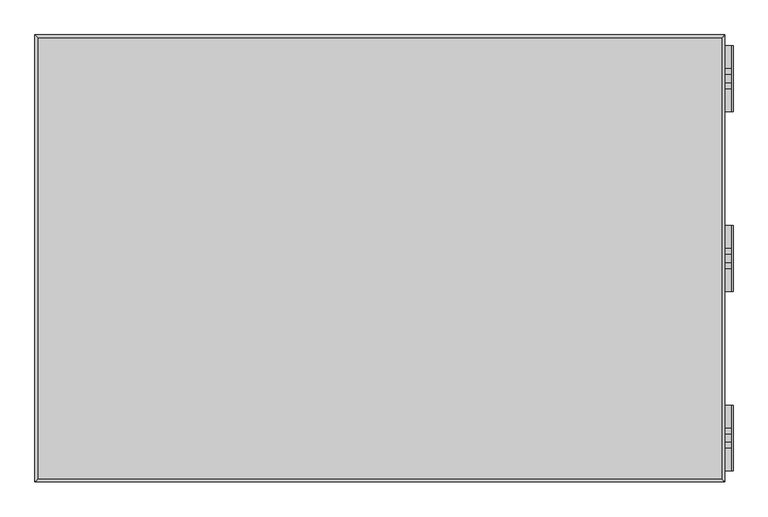
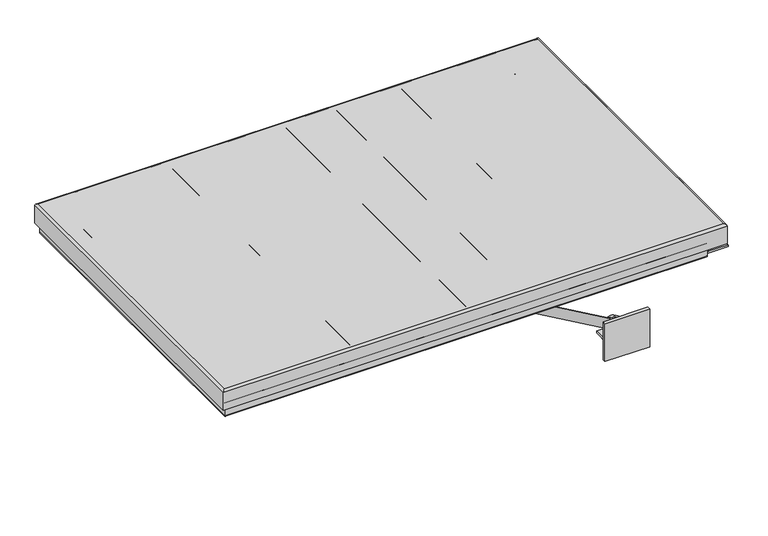
"""IFC4 building model written with IfcOpenShell, lengths in millimetres: proxy geometry."""

from ifc_helpers import new_model, si_unit, point, frame, frame_2d, origin, origin_2d, place, context, project, spatial, polyline, circle_curve, ellipse_curve, trimmed, segment, composite_curve, outline, extrude, source, transform, mapped, element, save
from ifc_brep_helpers import plane_surface, cylinder_surface, revolved_surface, advanced_brep


def generic_models_c320e721(model_context):
    return source(origin(), model_context, "Body", "SolidModel", [
        extrude(outline(composite_curve([segment(trimmed(circle_curve(frame_2d((98.0, 762.0)), 8.0), [point((90.0, 762.0))], [point((98.0, 770.0))], False, "CARTESIAN"), True, "CONTINUOUS"), segment(polyline([(98.0, 770.0), (182.0, 770.0)]), True, "CONTINUOUS"), segment(trimmed(circle_curve(frame_2d((182.0, 762.0)), 8.0), [point((182.0, 770.0))], [point((190.0, 762.0))], False, "CARTESIAN"), True, "CONTINUOUS"), segment(polyline([(190.0, 762.0), (190.0, 728.0)]), True, "CONTINUOUS"), segment(trimmed(circle_curve(frame_2d((182.0, 728.0)), 8.0), [point((190.0, 728.0))], [point((182.0, 720.0))], False, "CARTESIAN"), True, "CONTINUOUS"), segment(polyline([(182.0, 720.0), (98.0, 720.0)]), True, "CONTINUOUS"), segment(trimmed(circle_curve(frame_2d((98.0, 728.0)), 8.0), [point((98.0, 720.0))], [point((90.0, 728.0))], False, "CARTESIAN"), True, "CONTINUOUS"), segment(polyline([(90.0, 728.0), (90.0, 762.0)]), True, "CONTINUOUS")], self_intersect=False)), frame((0.0, -975.0, 0.0), z_axis=(0.0, 1.0, 0.0), x_axis=(0.0, 0.0, 1.0)), (0.0, 0.0, 1.0), 1950.0),
        extrude(outline(composite_curve([segment(trimmed(circle_curve(frame_2d((98.0, 37.0)), 8.0), [point((90.0, 37.0))], [point((98.0, 45.0))], False, "CARTESIAN"), True, "CONTINUOUS"), segment(polyline([(98.0, 45.0), (182.0, 45.0)]), True, "CONTINUOUS"), segment(trimmed(circle_curve(frame_2d((182.0, 37.0)), 8.0), [point((182.0, 45.0))], [point((190.0, 37.0))], False, "CARTESIAN"), True, "CONTINUOUS"), segment(polyline([(190.0, 37.0), (190.0, 3.0)]), True, "CONTINUOUS"), segment(trimmed(circle_curve(frame_2d((182.0, 3.0)), 8.0), [point((190.0, 3.0))], [point((182.0, -5.0))], False, "CARTESIAN"), True, "CONTINUOUS"), segment(polyline([(182.0, -5.0), (98.0, -5.0)]), True, "CONTINUOUS"), segment(trimmed(circle_curve(frame_2d((98.0, 3.0)), 8.0), [point((98.0, -5.0))], [point((90.0, 3.0))], False, "CARTESIAN"), True, "CONTINUOUS"), segment(polyline([(90.0, 3.0), (90.0, 37.0)]), True, "CONTINUOUS")], self_intersect=False)), frame((0.0, -975.0, 0.0), z_axis=(0.0, 1.0, 0.0), x_axis=(0.0, 0.0, 1.0)), (0.0, 0.0, 1.0), 1950.0),
        extrude(outline(composite_curve([segment(trimmed(circle_curve(frame_2d((98.0, -688.0)), 8.0), [point((90.0, -688.0))], [point((98.0, -680.0))], False, "CARTESIAN"), True, "CONTINUOUS"), segment(polyline([(98.0, -680.0), (182.0, -680.0)]), True, "CONTINUOUS"), segment(trimmed(circle_curve(frame_2d((182.0, -688.0)), 8.0), [point((182.0, -680.0))], [point((190.0, -688.0))], False, "CARTESIAN"), True, "CONTINUOUS"), segment(polyline([(190.0, -688.0), (190.0, -722.0)]), True, "CONTINUOUS"), segment(trimmed(circle_curve(frame_2d((182.0, -722.0)), 8.0), [point((190.0, -722.0))], [point((182.0, -730.0))], False, "CARTESIAN"), True, "CONTINUOUS"), segment(polyline([(182.0, -730.0), (98.0, -730.0)]), True, "CONTINUOUS"), segment(trimmed(circle_curve(frame_2d((98.0, -722.0)), 8.0), [point((98.0, -730.0))], [point((90.0, -722.0))], False, "CARTESIAN"), True, "CONTINUOUS"), segment(polyline([(90.0, -722.0), (90.0, -688.0)]), True, "CONTINUOUS")], self_intersect=False)), frame((0.0, -975.0, 0.0), z_axis=(0.0, 1.0, 0.0), x_axis=(0.0, 0.0, 1.0)), (0.0, 0.0, 1.0), 1950.0),
        extrude(outline(composite_curve([segment(trimmed(circle_curve(origin_2d(), 30.0), [point((0.0, -30.0))], [point((0.0, 30.0))], False, "CARTESIAN"), True, "CONTINUOUS"), segment(trimmed(circle_curve(origin_2d(), 30.0), [point((0.0, 30.0))], [point((0.0, -30.0))], False, "CARTESIAN"), True, "CONTINUOUS")], self_intersect=False)), frame((1002.7800547, 835.0, -344.5871707), z_axis=(-0.8670000719043638, 0.0, 0.49830801249611495), x_axis=(0.0, 1.0, 0.0)), (0.0, 0.0, 1.0), 710.0),
        extrude(outline(composite_curve([segment(trimmed(circle_curve(frame_2d((-370.0008793, 1046.9970584)), 32.5), [point((-398.1783817, 1030.802048))], [point((-341.823377, 1063.1920688))], False, "CARTESIAN"), True, "CONTINUOUS"), segment(polyline([(-341.823377, 1063.1920688), (-316.4096684, 1018.9750651), (-372.764673, 986.5850443), (-398.1783817, 1030.802048)]), True, "CONTINUOUS")], self_intersect=False)), frame((0.0, 822.5, 0.0), z_axis=(0.0, 1.0, 0.0), x_axis=(0.0, 0.0, 1.0)), (0.0, 0.0, 1.0), 25.0),
        extrude(outline(composite_curve([segment(polyline([(-12.4125932, 374.7815526), (30.8356295, 399.6384547), (65.8022099, 352.5278737)]), True, "CONTINUOUS"), segment(trimmed(circle_curve(frame_2d((40.1066149, 333.4559992)), 32.0), [point((65.8022099, 352.5278737))], [point((10.6926498, 320.8536718))], False, "CARTESIAN"), True, "CONTINUOUS"), segment(polyline([(10.6926498, 320.8536718), (-12.4125932, 374.7815526)]), True, "CONTINUOUS")], self_intersect=False)), frame((0.0, 822.5, 0.0), z_axis=(0.0, 1.0, 0.0), x_axis=(0.0, 0.0, 1.0)), (0.0, 0.0, 1.0), 25.0),
        extrude(outline(composite_curve([segment(polyline([(64.644661, 267.9289322), (18.7867966, 313.7867966)]), True, "CONTINUOUS"), segment(trimmed(circle_curve(frame_2d((40.0000001, 335.0)), 30.0), [point((18.7867966, 313.7867966))], [point((40.0000001, 365.0))], False, "CARTESIAN"), True, "CONTINUOUS"), segment(polyline([(40.0000001, 365.0), (90.0000001, 365.0), (90.0000001, 265.0), (71.7157288, 265.0)]), True, "CONTINUOUS"), segment(trimmed(circle_curve(frame_2d((71.7157288, 275.0)), 10.0), [point((71.7157288, 265.0))], [point((64.644661, 267.9289322))], False, "CARTESIAN"), True, "CONTINUOUS")], self_intersect=False)), frame((0.0, 800.0, 0.0), z_axis=(0.0, 1.0, 0.0), x_axis=(0.0, 0.0, 1.0)), (0.0, 0.0, 1.0), 20.0),
        extrude(outline(composite_curve([segment(polyline([(64.644661, 267.9289322), (18.7867966, 313.7867966)]), True, "CONTINUOUS"), segment(trimmed(circle_curve(frame_2d((40.0000001, 335.0)), 30.0), [point((18.7867966, 313.7867966))], [point((40.0000001, 365.0))], False, "CARTESIAN"), True, "CONTINUOUS"), segment(polyline([(40.0000001, 365.0), (90.0000001, 365.0), (90.0000001, 265.0), (71.7157288, 265.0)]), True, "CONTINUOUS"), segment(trimmed(circle_curve(frame_2d((71.7157288, 275.0)), 10.0), [point((71.7157288, 265.0))], [point((64.644661, 267.9289322))], False, "CARTESIAN"), True, "CONTINUOUS")], self_intersect=False)), frame((0.0, 850.0, 0.0), z_axis=(0.0, 1.0, 0.0), x_axis=(0.0, 0.0, 1.0)), (0.0, 0.0, 1.0), 20.0),
        extrude(outline(composite_curve([segment(trimmed(circle_curve(origin_2d(), 30.0), [point((0.0, -30.0))], [point((0.0, 30.0))], False, "CARTESIAN"), True, "CONTINUOUS"), segment(trimmed(circle_curve(origin_2d(), 30.0), [point((0.0, 30.0))], [point((0.0, -30.0))], False, "CARTESIAN"), True, "CONTINUOUS")], self_intersect=False)), frame((1002.7800547, -835.0, -344.5871707), z_axis=(-0.8670000719043638, 0.0, 0.49830801249611495), x_axis=(0.0, 1.0, 0.0)), (0.0, 0.0, 1.0), 710.0),
        extrude(outline(composite_curve([segment(trimmed(circle_curve(frame_2d((-370.0008793, 1046.9970584)), 32.5), [point((-398.1783817, 1030.802048))], [point((-341.823377, 1063.1920688))], False, "CARTESIAN"), True, "CONTINUOUS"), segment(polyline([(-341.823377, 1063.1920688), (-316.4096684, 1018.9750651), (-372.764673, 986.5850443), (-398.1783817, 1030.802048)]), True, "CONTINUOUS")], self_intersect=False)), frame((0.0, -847.5, 0.0), z_axis=(0.0, 1.0, 0.0), x_axis=(0.0, 0.0, 1.0)), (0.0, 0.0, 1.0), 25.0),
        extrude(outline(composite_curve([segment(polyline([(-12.4125932, 374.7815526), (30.8356295, 399.6384547), (65.8022099, 352.5278737)]), True, "CONTINUOUS"), segment(trimmed(circle_curve(frame_2d((40.1066149, 333.4559992)), 32.0), [point((65.8022099, 352.5278737))], [point((10.6926498, 320.8536718))], False, "CARTESIAN"), True, "CONTINUOUS"), segment(polyline([(10.6926498, 320.8536718), (-12.4125932, 374.7815526)]), True, "CONTINUOUS")], self_intersect=False)), frame((0.0, -847.5, 0.0), z_axis=(0.0, 1.0, 0.0), x_axis=(0.0, 0.0, 1.0)), (0.0, 0.0, 1.0), 25.0),
        extrude(outline(composite_curve([segment(polyline([(64.644661, 267.9289322), (18.7867966, 313.7867966)]), True, "CONTINUOUS"), segment(trimmed(circle_curve(frame_2d((40.0000001, 335.0)), 30.0), [point((18.7867966, 313.7867966))], [point((40.0000001, 365.0))], False, "CARTESIAN"), True, "CONTINUOUS"), segment(polyline([(40.0000001, 365.0), (90.0000001, 365.0), (90.0000001, 265.0), (71.7157288, 265.0)]), True, "CONTINUOUS"), segment(trimmed(circle_curve(frame_2d((71.7157288, 275.0)), 10.0), [point((71.7157288, 265.0))], [point((64.644661, 267.9289322))], False, "CARTESIAN"), True, "CONTINUOUS")], self_intersect=False)), frame((0.0, -870.0, 0.0), z_axis=(0.0, 1.0, 0.0), x_axis=(0.0, 0.0, 1.0)), (0.0, 0.0, 1.0), 20.0),
        extrude(outline(composite_curve([segment(polyline([(64.644661, 267.9289322), (18.7867966, 313.7867966)]), True, "CONTINUOUS"), segment(trimmed(circle_curve(frame_2d((40.0000001, 335.0)), 30.0), [point((18.7867966, 313.7867966))], [point((40.0000001, 365.0))], False, "CARTESIAN"), True, "CONTINUOUS"), segment(polyline([(40.0000001, 365.0), (90.0000001, 365.0), (90.0000001, 265.0), (71.7157288, 265.0)]), True, "CONTINUOUS"), segment(trimmed(circle_curve(frame_2d((71.7157288, 275.0)), 10.0), [point((71.7157288, 265.0))], [point((64.644661, 267.9289322))], False, "CARTESIAN"), True, "CONTINUOUS")], self_intersect=False)), frame((0.0, -820.0, 0.0), z_axis=(0.0, 1.0, 0.0), x_axis=(0.0, 0.0, 1.0)), (0.0, 0.0, 1.0), 20.0),
        extrude(outline(composite_curve([segment(trimmed(circle_curve(frame_2d((98.0, 357.0)), 8.0), [point((90.0, 357.0))], [point((98.0, 365.0))], False, "CARTESIAN"), True, "CONTINUOUS"), segment(polyline([(98.0, 365.0), (182.0, 365.0)]), True, "CONTINUOUS"), segment(trimmed(circle_curve(frame_2d((182.0, 357.0)), 8.0), [point((182.0, 365.0))], [point((190.0, 357.0))], False, "CARTESIAN"), True, "CONTINUOUS"), segment(polyline([(190.0, 357.0), (190.0, 273.0)]), True, "CONTINUOUS"), segment(trimmed(circle_curve(frame_2d((182.0, 273.0)), 8.0), [point((190.0, 273.0))], [point((182.0, 265.0))], False, "CARTESIAN"), True, "CONTINUOUS"), segment(polyline([(182.0, 265.0), (98.0, 265.0)]), True, "CONTINUOUS"), segment(trimmed(circle_curve(frame_2d((98.0, 273.0)), 8.0), [point((98.0, 265.0))], [point((90.0, 273.0))], False, "CARTESIAN"), True, "CONTINUOUS"), segment(polyline([(90.0, 273.0), (90.0, 357.0)]), True, "CONTINUOUS")], self_intersect=False)), frame((0.0, -975.0, 0.0), z_axis=(0.0, 1.0, 0.0), x_axis=(0.0, 0.0, 1.0)), (0.0, 0.0, 1.0), 1950.0),
        extrude(outline(composite_curve([segment(polyline([(-386.4580643, 1155.5002775), (-335.3598633, 1066.9955971)]), True, "CONTINUOUS"), segment(trimmed(circle_curve(frame_2d((-370.0008794, 1046.9955971)), 40.0), [point((-335.3598633, 1066.9955971))], [point((-370.0008794, 1006.9955971))], False, "CARTESIAN"), True, "CONTINUOUS"), segment(polyline([(-370.0008794, 1006.9955971), (-410.0008794, 1006.9955971), (-410.0008794, 1163.0002775), (-399.4484453, 1163.0002775)]), True, "CONTINUOUS"), segment(trimmed(circle_curve(frame_2d((-399.4484453, 1148.0002775)), 15.0), [point((-399.4484453, 1163.0002775))], [point((-386.4580643, 1155.5002775))], False, "CARTESIAN"), True, "CONTINUOUS")], self_intersect=False)), frame((0.0, -895.0, 0.0), z_axis=(0.0, 1.0, 0.0), x_axis=(0.0, 0.0, 1.0)), (0.0, 0.0, 1.0), 45.0),
        extrude(outline(composite_curve([segment(polyline([(-386.4580643, 1155.5002775), (-335.3598633, 1066.9955971)]), True, "CONTINUOUS"), segment(trimmed(circle_curve(frame_2d((-370.0008794, 1046.9955971)), 40.0), [point((-335.3598633, 1066.9955971))], [point((-370.0008794, 1006.9955971))], False, "CARTESIAN"), True, "CONTINUOUS"), segment(polyline([(-370.0008794, 1006.9955971), (-410.0008794, 1006.9955971), (-410.0008794, 1163.0002775), (-399.4484453, 1163.0002775)]), True, "CONTINUOUS"), segment(trimmed(circle_curve(frame_2d((-399.4484453, 1148.0002775)), 15.0), [point((-399.4484453, 1163.0002775))], [point((-386.4580643, 1155.5002775))], False, "CARTESIAN"), True, "CONTINUOUS")], self_intersect=False)), frame((0.0, -820.0, 0.0), z_axis=(0.0, 1.0, 0.0), x_axis=(0.0, 0.0, 1.0)), (0.0, 0.0, 1.0), 20.0),
        extrude(outline(polyline([(-800.0, -435.0008794), (-885.0, -509.9288138), (-895.0, -509.9288138), (-895.0, -438.7602132), (-879.3910901, -425.0008794), (-800.0, -425.0008794), (-800.0, -435.0008794)])), frame((1022.4979373, 0.0, 0.0), z_axis=(1.0, 0.0, 0.0), x_axis=(0.0, 1.0, 0.0)), (0.0, 0.0, 1.0), 15.0),
        extrude(outline(polyline([(-800.0, -435.0008794), (-885.0, -509.9288138), (-895.0, -509.9288138), (-895.0, -438.7602132), (-879.3910901, -425.0008794), (-800.0, -425.0008794), (-800.0, -435.0008794)])), frame((1132.4979373, 0.0, 0.0), z_axis=(1.0, 0.0, 0.0), x_axis=(0.0, 1.0, 0.0)), (0.0, 0.0, 1.0), 15.0),
        extrude(outline(polyline([(964.9979373, -790.0), (1204.9979373, -790.0), (1204.9979373, -895.0), (964.9979373, -895.0), (964.9979373, -790.0)])), frame((0.0, 0.0, -425.0008794), z_axis=(0.0, 0.0, 1.0), x_axis=(1.0, 0.0, 0.0)), (0.0, 0.0, 1.0), 15.0),
        extrude(outline(polyline([(944.9979373, -895.0), (1224.9979373, -895.0), (1224.9979373, -915.0), (944.9979373, -915.0), (944.9979373, -895.0)])), frame((0.0, 0.0, -529.9288138), z_axis=(0.0, 0.0, 1.0), x_axis=(1.0, 0.0, 0.0)), (0.0, 0.0, 1.0), 250.0),
        extrude(outline(composite_curve([segment(polyline([(-386.4580643, 1155.5002775), (-335.3598633, 1066.9955971)]), True, "CONTINUOUS"), segment(trimmed(circle_curve(frame_2d((-370.0008794, 1046.9955971)), 40.0), [point((-335.3598633, 1066.9955971))], [point((-370.0008794, 1006.9955971))], False, "CARTESIAN"), True, "CONTINUOUS"), segment(polyline([(-370.0008794, 1006.9955971), (-410.0008794, 1006.9955971), (-410.0008794, 1163.0002775), (-399.4484453, 1163.0002775)]), True, "CONTINUOUS"), segment(trimmed(circle_curve(frame_2d((-399.4484453, 1148.0002775)), 15.0), [point((-399.4484453, 1163.0002775))], [point((-386.4580643, 1155.5002775))], False, "CARTESIAN"), True, "CONTINUOUS")], self_intersect=False)), frame((0.0, 850.0, 0.0), z_axis=(0.0, 1.0, 0.0), x_axis=(0.0, 0.0, 1.0)), (0.0, 0.0, 1.0), 45.0),
        extrude(outline(composite_curve([segment(polyline([(-386.4580643, 1155.5002775), (-335.3598633, 1066.9955971)]), True, "CONTINUOUS"), segment(trimmed(circle_curve(frame_2d((-370.0008794, 1046.9955971)), 40.0), [point((-335.3598633, 1066.9955971))], [point((-370.0008794, 1006.9955971))], False, "CARTESIAN"), True, "CONTINUOUS"), segment(polyline([(-370.0008794, 1006.9955971), (-410.0008794, 1006.9955971), (-410.0008794, 1163.0002775), (-399.4484453, 1163.0002775)]), True, "CONTINUOUS"), segment(trimmed(circle_curve(frame_2d((-399.4484453, 1148.0002775)), 15.0), [point((-399.4484453, 1163.0002775))], [point((-386.4580643, 1155.5002775))], False, "CARTESIAN"), True, "CONTINUOUS")], self_intersect=False)), frame((0.0, 800.0, 0.0), z_axis=(0.0, 1.0, 0.0), x_axis=(0.0, 0.0, 1.0)), (0.0, 0.0, 1.0), 20.0),
        extrude(outline(polyline([(800.0, -435.0008794), (800.0, -425.0008794), (879.3910901, -425.0008794), (895.0, -438.7602132), (895.0, -509.9288138), (885.0, -509.9288138), (800.0, -435.0008794)])), frame((1022.4979373, 0.0, 0.0), z_axis=(1.0, 0.0, 0.0), x_axis=(0.0, 1.0, 0.0)), (0.0, 0.0, 1.0), 15.0),
        extrude(outline(polyline([(800.0, -435.0008794), (800.0, -425.0008794), (879.3910901, -425.0008794), (895.0, -438.7602132), (895.0, -509.9288138), (885.0, -509.9288138), (800.0, -435.0008794)])), frame((1132.4979373, 0.0, 0.0), z_axis=(1.0, 0.0, 0.0), x_axis=(0.0, 1.0, 0.0)), (0.0, 0.0, 1.0), 15.0),
        extrude(outline(polyline([(964.9979373, 790.0), (964.9979373, 895.0), (1204.9979373, 895.0), (1204.9979373, 790.0), (964.9979373, 790.0)])), frame((0.0, 0.0, -425.0008794), z_axis=(0.0, 0.0, 1.0), x_axis=(1.0, 0.0, 0.0)), (0.0, 0.0, 1.0), 15.0),
        extrude(outline(polyline([(944.9979373, 895.0), (944.9979373, 915.0), (1224.9979373, 915.0), (1224.9979373, 895.0), (944.9979373, 895.0)])), frame((0.0, 0.0, -529.9288138), z_axis=(0.0, 0.0, 1.0), x_axis=(1.0, 0.0, 0.0)), (0.0, 0.0, 1.0), 250.0),
        extrude(outline(composite_curve([segment(polyline([(32.0, 1547.0), (17.0, 1562.0), (17.0, 1677.0), (32.0, 1677.0), (109.0838293, 1635.1540532)]), True, "CONTINUOUS"), segment(trimmed(circle_curve(frame_2d((90.0, 1600.0)), 40.0), [point((109.0838293, 1635.1540532))], [point((112.9430575, 1567.2339182))], False, "CARTESIAN"), True, "CONTINUOUS"), segment(polyline([(112.9430575, 1567.2339182), (84.0460275, 1547.0), (32.0, 1547.0)]), True, "CONTINUOUS")], self_intersect=False)), frame((0.0, -865.0, 0.0), z_axis=(0.0, 1.0, 0.0), x_axis=(0.0, 0.0, 1.0)), (0.0, 0.0, 1.0), 25.0),
        extrude(outline(composite_curve([segment(polyline([(112.9430575, 1567.2339182), (84.0460275, 1547.0), (32.0, 1547.0), (17.0, 1562.0), (17.0, 1677.0), (32.0, 1677.0), (109.0838293, 1635.1540532)]), True, "CONTINUOUS"), segment(trimmed(circle_curve(frame_2d((90.0, 1600.0)), 40.0), [point((109.0838293, 1635.1540532))], [point((112.9430575, 1567.2339182))], False, "CARTESIAN"), True, "CONTINUOUS")], self_intersect=False)), frame((0.0, -800.0, 0.0), z_axis=(0.0, 1.0, 0.0), x_axis=(0.0, 0.0, 1.0)), (0.0, 0.0, 1.0), 25.0),
        extrude(outline(composite_curve([segment(polyline([(5.0, 1535.0), (5.0, 1685.0), (11.0, 1685.0)]), True, "CONTINUOUS"), segment(trimmed(circle_curve(frame_2d((11.0, 1679.0)), 6.0), [point((11.0, 1685.0))], [point((17.0, 1679.0))], False, "CARTESIAN"), True, "CONTINUOUS"), segment(polyline([(17.0, 1679.0), (17.0, 1562.0)]), True, "CONTINUOUS"), segment(trimmed(circle_curve(frame_2d((32.0, 1562.0)), 15.0), [point((17.0, 1562.0))], [point((32.0, 1547.0))], True, "CARTESIAN"), True, "CONTINUOUS"), segment(polyline([(32.0, 1547.0), (85.0, 1547.0), (85.0, 1535.0), (5.0, 1535.0)]), True, "CONTINUOUS")], self_intersect=False)), frame((0.0, -970.0, 0.0), z_axis=(0.0, 1.0, 0.0), x_axis=(0.0, 0.0, 1.0)), (0.0, 0.0, 1.0), 300.0),
        extrude(outline(composite_curve([segment(polyline([(32.0, 1547.0), (17.0, 1562.0), (17.0, 1677.0), (32.0, 1677.0), (109.0838293, 1635.1540532)]), True, "CONTINUOUS"), segment(trimmed(circle_curve(frame_2d((90.0, 1600.0)), 40.0), [point((109.0838293, 1635.1540532))], [point((112.9430575, 1567.2339182))], False, "CARTESIAN"), True, "CONTINUOUS"), segment(polyline([(112.9430575, 1567.2339182), (84.0460275, 1547.0), (32.0, 1547.0)]), True, "CONTINUOUS")], self_intersect=False)), frame((0.0, 775.0, 0.0), z_axis=(0.0, 1.0, 0.0), x_axis=(0.0, 0.0, 1.0)), (0.0, 0.0, 1.0), 25.0),
        extrude(outline(composite_curve([segment(polyline([(112.9430575, 1567.2339182), (84.0460275, 1547.0), (32.0, 1547.0), (17.0, 1562.0), (17.0, 1677.0), (32.0, 1677.0), (109.0838293, 1635.1540532)]), True, "CONTINUOUS"), segment(trimmed(circle_curve(frame_2d((90.0, 1600.0)), 40.0), [point((109.0838293, 1635.1540532))], [point((112.9430575, 1567.2339182))], False, "CARTESIAN"), True, "CONTINUOUS")], self_intersect=False)), frame((0.0, 840.0, 0.0), z_axis=(0.0, 1.0, 0.0), x_axis=(0.0, 0.0, 1.0)), (0.0, 0.0, 1.0), 25.0),
        extrude(outline(composite_curve([segment(polyline([(5.0, 1535.0), (5.0, 1685.0), (11.0, 1685.0)]), True, "CONTINUOUS"), segment(trimmed(circle_curve(frame_2d((11.0, 1679.0)), 6.0), [point((11.0, 1685.0))], [point((17.0, 1679.0))], False, "CARTESIAN"), True, "CONTINUOUS"), segment(polyline([(17.0, 1679.0), (17.0, 1562.0)]), True, "CONTINUOUS"), segment(trimmed(circle_curve(frame_2d((32.0, 1562.0)), 15.0), [point((17.0, 1562.0))], [point((32.0, 1547.0))], True, "CARTESIAN"), True, "CONTINUOUS"), segment(polyline([(32.0, 1547.0), (85.0, 1547.0), (85.0, 1535.0), (5.0, 1535.0)]), True, "CONTINUOUS")], self_intersect=False)), frame((0.0, 670.0, 0.0), z_axis=(0.0, 1.0, 0.0), x_axis=(0.0, 0.0, 1.0)), (0.0, 0.0, 1.0), 300.0),
        extrude(outline(composite_curve([segment(polyline([(32.0, 1547.0), (17.0, 1562.0), (17.0, 1677.0), (32.0, 1677.0), (109.0838293, 1635.1540532)]), True, "CONTINUOUS"), segment(trimmed(circle_curve(frame_2d((90.0, 1600.0)), 40.0), [point((109.0838293, 1635.1540532))], [point((112.9430575, 1567.2339182))], False, "CARTESIAN"), True, "CONTINUOUS"), segment(polyline([(112.9430575, 1567.2339182), (84.0460275, 1547.0), (32.0, 1547.0)]), True, "CONTINUOUS")], self_intersect=False)), frame((0.0, -45.0, 0.0), z_axis=(0.0, 1.0, 0.0), x_axis=(0.0, 0.0, 1.0)), (0.0, 0.0, 1.0), 25.0),
        extrude(outline(composite_curve([segment(polyline([(112.9430575, 1567.2339182), (84.0460275, 1547.0), (32.0, 1547.0), (17.0, 1562.0), (17.0, 1677.0), (32.0, 1677.0), (109.0838293, 1635.1540532)]), True, "CONTINUOUS"), segment(trimmed(circle_curve(frame_2d((90.0, 1600.0)), 40.0), [point((109.0838293, 1635.1540532))], [point((112.9430575, 1567.2339182))], False, "CARTESIAN"), True, "CONTINUOUS")], self_intersect=False)), frame((0.0, 20.0, 0.0), z_axis=(0.0, 1.0, 0.0), x_axis=(0.0, 0.0, 1.0)), (0.0, 0.0, 1.0), 25.0),
        extrude(outline(composite_curve([segment(polyline([(5.0, 1535.0), (5.0, 1685.0), (11.0, 1685.0)]), True, "CONTINUOUS"), segment(trimmed(circle_curve(frame_2d((11.0, 1679.0)), 6.0), [point((11.0, 1685.0))], [point((17.0, 1679.0))], False, "CARTESIAN"), True, "CONTINUOUS"), segment(polyline([(17.0, 1679.0), (17.0, 1562.0)]), True, "CONTINUOUS"), segment(trimmed(circle_curve(frame_2d((32.0, 1562.0)), 15.0), [point((17.0, 1562.0))], [point((32.0, 1547.0))], True, "CARTESIAN"), True, "CONTINUOUS"), segment(polyline([(32.0, 1547.0), (85.0, 1547.0), (85.0, 1535.0), (5.0, 1535.0)]), True, "CONTINUOUS")], self_intersect=False)), frame((0.0, -150.0, 0.0), z_axis=(0.0, 1.0, 0.0), x_axis=(0.0, 0.0, 1.0)), (0.0, 0.0, 1.0), 300.0),
        advanced_brep(
        [(1527.0, 992.0, 5.0), (1535.0, 1000.0, 13.0), (1535.0, -1000.0, 13.0), (1527.0, -992.0, 5.0), (1455.0, 920.0, 13.0), (1463.0, 928.0, 5.0), (1463.0, -928.0, 5.0), (1455.0, -920.0, 13.0), (1455.0, 920.0, 77.0), (1455.0, -920.0, 77.0), (1463.0, 928.0, 85.0), (1463.0, -928.0, 85.0), (1535.0, 1000.0, 77.0), (1527.0, 992.0, 85.0), (1527.0, -992.0, 85.0), (1535.0, -1000.0, 77.0), (-1480.0, -1000.0, 13.0), (-1472.0, -992.0, 5.0), (-1408.0, -928.0, 5.0), (-1400.0, -920.0, 13.0), (-1400.0, -920.0, 77.0), (-1408.0, -928.0, 85.0), (-1472.0, -992.0, 85.0), (-1480.0, -1000.0, 77.0), (-1480.0, 1000.0, 13.0), (-1472.0, 992.0, 5.0), (-1408.0, 928.0, 5.0), (-1400.0, 920.0, 13.0), (-1400.0, 920.0, 77.0), (-1408.0, 928.0, 85.0), (-1472.0, 992.0, 85.0), (-1480.0, 1000.0, 77.0)],
        [
            (0, 1, ellipse_curve(frame((1527.0, 992.0, 13.0), z_axis=(0.7071067811865475, -0.7071067811865475, 0.0), x_axis=(0.7071067811865474, 0.7071067811865476, 0.0)), 11.3137085, 8.0)),
            (1, 2),
            (2, 3, ellipse_curve(frame((1527.0, -992.0, 13.0), z_axis=(0.7071067811865475, 0.7071067811865475, 0.0), x_axis=(-0.7071067811865474, 0.7071067811865476, 0.0)), 11.3137085, 8.0)),
            (3, 0),
            (4, 5, ellipse_curve(frame((1463.0, 928.0, 13.0), z_axis=(0.7071067811865475, -0.7071067811865475, 0.0), x_axis=(0.7071067811865474, 0.7071067811865476, 0.0)), 11.3137085, 8.0)),
            (5, 6),
            (6, 7, ellipse_curve(frame((1463.0, -928.0, 13.0), z_axis=(0.7071067811865475, 0.7071067811865475, 0.0), x_axis=(-0.7071067811865474, 0.7071067811865476, 0.0)), 11.3137085, 8.0)),
            (7, 4),
            (8, 4),
            (7, 9),
            (9, 8),
            (10, 8, ellipse_curve(frame((1463.0, 928.0, 77.0), z_axis=(0.7071067811865475, -0.7071067811865475, 0.0), x_axis=(0.7071067811865474, 0.7071067811865476, 0.0)), 11.3137085, 8.0)),
            (9, 11, ellipse_curve(frame((1463.0, -928.0, 77.0), z_axis=(0.7071067811865475, 0.7071067811865475, 0.0), x_axis=(-0.7071067811865474, 0.7071067811865476, 0.0)), 11.3137085, 8.0)),
            (11, 10),
            (12, 13, ellipse_curve(frame((1527.0, 992.0, 77.0), z_axis=(0.7071067811865475, -0.7071067811865475, 0.0), x_axis=(0.7071067811865474, 0.7071067811865476, 0.0)), 11.3137085, 8.0)),
            (13, 14),
            (14, 15, ellipse_curve(frame((1527.0, -992.0, 77.0), z_axis=(0.7071067811865475, 0.7071067811865475, 0.0), x_axis=(-0.7071067811865474, 0.7071067811865476, 0.0)), 11.3137085, 8.0)),
            (15, 12),
            (1, 12),
            (15, 2),
            (2, 16),
            (16, 17, ellipse_curve(frame((-1472.0, -992.0, 13.0), z_axis=(0.7071067811865475, -0.7071067811865475, 0.0), x_axis=(0.7071067811865476, 0.7071067811865474, 0.0)), 11.3137085, 8.0)),
            (17, 3),
            (6, 18),
            (18, 19, ellipse_curve(frame((-1408.0, -928.0, 13.0), z_axis=(0.7071067811865475, -0.7071067811865475, 0.0), x_axis=(0.7071067811865476, 0.7071067811865474, 0.0)), 11.3137085, 8.0)),
            (19, 7),
            (19, 20),
            (20, 9),
            (20, 21, ellipse_curve(frame((-1408.0, -928.0, 77.0), z_axis=(0.7071067811865475, -0.7071067811865475, 0.0), x_axis=(0.7071067811865476, 0.7071067811865474, 0.0)), 11.3137085, 8.0)),
            (21, 11),
            (14, 22),
            (22, 23, ellipse_curve(frame((-1472.0, -992.0, 77.0), z_axis=(0.7071067811865475, -0.7071067811865475, 0.0), x_axis=(0.7071067811865476, 0.7071067811865474, 0.0)), 11.3137085, 8.0)),
            (23, 15),
            (23, 16),
            (16, 24),
            (24, 25, ellipse_curve(frame((-1472.0, 992.0, 13.0), z_axis=(-0.7071067811865475, -0.7071067811865475, 0.0), x_axis=(0.7071067811865474, -0.7071067811865476, 0.0)), 11.3137085, 8.0)),
            (25, 17),
            (18, 26),
            (26, 27, ellipse_curve(frame((-1408.0, 928.0, 13.0), z_axis=(-0.7071067811865475, -0.7071067811865475, 0.0), x_axis=(0.7071067811865474, -0.7071067811865476, 0.0)), 11.3137085, 8.0)),
            (27, 19),
            (27, 28),
            (28, 20),
            (28, 29, ellipse_curve(frame((-1408.0, 928.0, 77.0), z_axis=(-0.7071067811865475, -0.7071067811865475, 0.0), x_axis=(0.7071067811865474, -0.7071067811865476, 0.0)), 11.3137085, 8.0)),
            (29, 21),
            (22, 30),
            (30, 31, ellipse_curve(frame((-1472.0, 992.0, 77.0), z_axis=(-0.7071067811865475, -0.7071067811865475, 0.0), x_axis=(0.7071067811865474, -0.7071067811865476, 0.0)), 11.3137085, 8.0)),
            (31, 23),
            (31, 24),
            (24, 1),
            (0, 25),
            (5, 26),
            (4, 27),
            (8, 28),
            (10, 29),
            (13, 30),
            (12, 31),
        ],
        [
            cylinder_surface(frame((1527.0, 920.0, 13.0), z_axis=(0.0, 1.0, 0.0), x_axis=(-1.0, 0.0, 0.0)), 8.0),
            cylinder_surface(frame((1463.0, 920.0, 13.0), z_axis=(0.0, 1.0, 0.0), x_axis=(-1.0, 0.0, 0.0)), 8.0),
            plane_surface(frame((1455.0, 920.0, 13.0), z_axis=(-1.0, 0.0, 0.0), x_axis=(0.0, -1.0, 0.0))),
            cylinder_surface(frame((1463.0, 920.0, 77.0), z_axis=(0.0, 1.0, 0.0), x_axis=(-1.0, 0.0, 0.0)), 8.0),
            cylinder_surface(frame((1527.0, 920.0, 77.0), z_axis=(0.0, 1.0, 0.0), x_axis=(-1.0, 0.0, 0.0)), 8.0),
            plane_surface(frame((1535.0, 1000.0, 77.0), z_axis=(1.0, 0.0, 0.0), x_axis=(0.0, -1.0, 0.0))),
            cylinder_surface(frame((1455.0, -992.0, 13.0), z_axis=(1.0, 0.0, 0.0), x_axis=(0.0, 1.0, 0.0)), 8.0),
            cylinder_surface(frame((1455.0, -928.0, 13.0), z_axis=(1.0, 0.0, 0.0), x_axis=(0.0, 1.0, 0.0)), 8.0),
            plane_surface(frame((1455.0, -920.0, 13.0), z_axis=(0.0, 1.0, 0.0), x_axis=(-1.0, 0.0, 0.0))),
            cylinder_surface(frame((1455.0, -928.0, 77.0), z_axis=(1.0, 0.0, 0.0), x_axis=(0.0, 1.0, 0.0)), 8.0),
            cylinder_surface(frame((1455.0, -992.0, 77.0), z_axis=(1.0, 0.0, 0.0), x_axis=(0.0, 1.0, 0.0)), 8.0),
            plane_surface(frame((1535.0, -1000.0, 77.0), z_axis=(0.0, -1.0, 0.0), x_axis=(-1.0, 0.0, 0.0))),
            cylinder_surface(frame((-1472.0, -920.0, 13.0), z_axis=(0.0, -1.0, 0.0), x_axis=(1.0, 0.0, 0.0)), 8.0),
            cylinder_surface(frame((-1408.0, -920.0, 13.0), z_axis=(0.0, -1.0, 0.0), x_axis=(1.0, 0.0, 0.0)), 8.0),
            plane_surface(frame((-1400.0, -920.0, 13.0), z_axis=(1.0, 0.0, 0.0), x_axis=(0.0, 1.0, 0.0))),
            cylinder_surface(frame((-1408.0, -920.0, 77.0), z_axis=(0.0, -1.0, 0.0), x_axis=(1.0, 0.0, 0.0)), 8.0),
            cylinder_surface(frame((-1472.0, -920.0, 77.0), z_axis=(0.0, -1.0, 0.0), x_axis=(1.0, 0.0, 0.0)), 8.0),
            plane_surface(frame((-1480.0, -1000.0, 77.0), z_axis=(-1.0, 0.0, 0.0), x_axis=(0.0, 1.0, 0.0))),
            cylinder_surface(frame((-1400.0, 992.0, 13.0), z_axis=(-1.0, 0.0, 0.0), x_axis=(0.0, -1.0, 0.0)), 8.0),
            plane_surface(frame((-1472.0, 992.0, 5.0), z_axis=(0.0, 0.0, -1.0), x_axis=(1.0, 0.0, 0.0))),
            cylinder_surface(frame((-1400.0, 928.0, 13.0), z_axis=(-1.0, 0.0, 0.0), x_axis=(0.0, -1.0, 0.0)), 8.0),
            plane_surface(frame((-1400.0, 920.0, 13.0), z_axis=(0.0, -1.0, 0.0), x_axis=(1.0, 0.0, 0.0))),
            cylinder_surface(frame((-1400.0, 928.0, 77.0), z_axis=(-1.0, 0.0, 0.0), x_axis=(0.0, -1.0, 0.0)), 8.0),
            plane_surface(frame((-1408.0, 928.0, 85.0), z_axis=(0.0, 0.0, 1.0), x_axis=(1.0, 0.0, 0.0))),
            cylinder_surface(frame((-1400.0, 992.0, 77.0), z_axis=(-1.0, 0.0, 0.0), x_axis=(0.0, -1.0, 0.0)), 8.0),
            plane_surface(frame((-1480.0, 1000.0, 77.0), z_axis=(0.0, 1.0, 0.0), x_axis=(1.0, 0.0, 0.0))),
        ],
        [
            (0, [[1, 2, 3, 4]]),
            (1, [[5, 6, 7, 8]]),
            (2, [[9, -8, 10, 11]]),
            (3, [[12, -11, 13, 14]]),
            (4, [[15, 16, 17, 18]]),
            (5, [[19, -18, 20, -2]]),
            (6, [[-3, 21, 22, 23]]),
            (7, [[-7, 24, 25, 26]]),
            (8, [[-10, -26, 27, 28]]),
            (9, [[-13, -28, 29, 30]]),
            (10, [[-17, 31, 32, 33]]),
            (11, [[-20, -33, 34, -21]]),
            (12, [[-22, 35, 36, 37]]),
            (13, [[-25, 38, 39, 40]]),
            (14, [[-27, -40, 41, 42]]),
            (15, [[-29, -42, 43, 44]]),
            (16, [[-32, 45, 46, 47]]),
            (17, [[-34, -47, 48, -35]]),
            (18, [[-36, 49, -1, 50]]),
            (19, [[-23, -37, -50, -4], [51, -38, -24, -6]]),
            (20, [[-39, -51, -5, 52]]),
            (21, [[-41, -52, -9, 53]]),
            (22, [[-43, -53, -12, 54]]),
            (23, [[55, -45, -31, -16], [-30, -44, -54, -14]]),
            (24, [[-46, -55, -15, 56]]),
            (25, [[-48, -56, -19, -49]]),
        ],
    ),
        advanced_brep(
        [(1647.0, 1020.0, 185.0), (1635.0, 1008.0, 197.0), (1635.0, -1008.0, 197.0), (1647.0, -1020.0, 185.0), (1647.0, -1020.0, 67.0), (1647.0, 1020.0, 67.0), (1641.0, 1014.0, 185.0), (1641.0, 1014.0, 67.0), (1641.0, -1014.0, 67.0), (1641.0, -1014.0, 185.0), (1635.0, -1008.0, 191.0), (1635.0, 1008.0, 191.0), (-1486.0, -1008.0, 197.0), (-1498.0, -1020.0, 185.0), (-1498.0, -1020.0, 67.0), (-1492.0, -1014.0, 67.0), (-1492.0, -1014.0, 185.0), (-1486.0, -1008.0, 191.0), (-1486.0, 1008.0, 197.0), (-1498.0, 1020.0, 185.0), (-1498.0, 1020.0, 67.0), (-1492.0, 1014.0, 67.0), (-1492.0, 1014.0, 185.0), (-1486.0, 1008.0, 191.0)],
        [
            (0, 1, ellipse_curve(frame((1635.0, 1008.0, 185.0), z_axis=(0.7071067811865475, -0.7071067811865475, 0.0), x_axis=(0.7071067811865474, 0.7071067811865476, 0.0)), 16.9705627, 12.0)),
            (1, 2),
            (2, 3, ellipse_curve(frame((1635.0, -1008.0, 185.0), z_axis=(0.7071067811865475, 0.7071067811865475, 0.0), x_axis=(-0.7071067811865474, 0.7071067811865476, 0.0)), 16.9705627, 12.0)),
            (3, 0),
            (3, 4),
            (4, 5),
            (5, 0),
            (6, 7),
            (7, 8),
            (8, 9),
            (9, 6),
            (9, 10, ellipse_curve(frame((1635.0, -1008.0, 185.0), z_axis=(-0.7071067811865475, -0.7071067811865475, 0.0), x_axis=(0.7071067811865474, -0.7071067811865476, 0.0)), 8.4852814, 6.0)),
            (10, 11),
            (11, 6, ellipse_curve(frame((1635.0, 1008.0, 185.0), z_axis=(-0.7071067811865475, 0.7071067811865475, 0.0), x_axis=(-0.7071067811865474, -0.7071067811865476, 0.0)), 8.4852814, 6.0)),
            (2, 12),
            (12, 13, ellipse_curve(frame((-1486.0, -1008.0, 185.0), z_axis=(0.7071067811865475, -0.7071067811865475, 0.0), x_axis=(0.7071067811865476, 0.7071067811865474, 0.0)), 16.9705627, 12.0)),
            (13, 3),
            (13, 14),
            (14, 4),
            (8, 15),
            (15, 16),
            (16, 9),
            (16, 17, ellipse_curve(frame((-1486.0, -1008.0, 185.0), z_axis=(-0.7071067811865475, 0.7071067811865475, 0.0), x_axis=(-0.7071067811865476, -0.7071067811865474, 0.0)), 8.4852814, 6.0)),
            (17, 10),
            (12, 18),
            (18, 19, ellipse_curve(frame((-1486.0, 1008.0, 185.0), z_axis=(-0.7071067811865475, -0.7071067811865475, 0.0), x_axis=(0.7071067811865474, -0.7071067811865476, 0.0)), 16.9705627, 12.0)),
            (19, 13),
            (19, 20),
            (20, 14),
            (15, 21),
            (21, 22),
            (22, 16),
            (22, 23, ellipse_curve(frame((-1486.0, 1008.0, 185.0), z_axis=(0.7071067811865475, 0.7071067811865475, 0.0), x_axis=(-0.7071067811865474, 0.7071067811865476, 0.0)), 8.4852814, 6.0)),
            (23, 17),
            (0, 19),
            (18, 1),
            (5, 20),
            (7, 21),
            (6, 22),
            (11, 23),
        ],
        [
            cylinder_surface(frame((1635.0, 922.0, 185.0), z_axis=(0.0, 1.0, 0.0), x_axis=(1.0, 0.0, 0.0)), 12.0),
            plane_surface(frame((1647.0, 1020.0, 185.0), z_axis=(1.0, 0.0, 0.0), x_axis=(0.0, -1.0, 0.0))),
            plane_surface(frame((1641.0, 1014.0, 67.0), z_axis=(-1.0, 0.0, 0.0), x_axis=(0.0, -1.0, 0.0))),
            revolved_surface(polyline([(1641.0, -1014.000000018216, 185.0), (1641.0, 1014.000000018216, 185.0)]), (1635.0, 922.0, 185.0), (0.0, -1.0, 0.0)),
            cylinder_surface(frame((1549.0, -1008.0, 185.0), z_axis=(1.0, 0.0, 0.0), x_axis=(0.0, -1.0, 0.0)), 12.0),
            plane_surface(frame((1647.0, -1020.0, 185.0), z_axis=(0.0, -1.0, 0.0), x_axis=(-1.0, 0.0, 0.0))),
            plane_surface(frame((1641.0, -1014.0, 67.0), z_axis=(0.0, 1.0, 0.0), x_axis=(-1.0, 0.0, 0.0))),
            revolved_surface(polyline([(-1492.0000000182163, -1014.0, 185.0), (1641.000000018216, -1014.0, 185.0)]), (1549.0, -1008.0, 185.0), (-1.0, 0.0, 0.0)),
            cylinder_surface(frame((-1486.0, -922.0, 185.0), z_axis=(0.0, -1.0, 0.0), x_axis=(-1.0, 0.0, 0.0)), 12.0),
            plane_surface(frame((-1498.0, -1020.0, 185.0), z_axis=(-1.0, 0.0, 0.0), x_axis=(0.0, 1.0, 0.0))),
            plane_surface(frame((-1492.0, -1014.0, 67.0), z_axis=(1.0, 0.0, 0.0), x_axis=(0.0, 1.0, 0.0))),
            revolved_surface(polyline([(-1492.0, 1014.000000018216, 185.0), (-1492.0, -1014.000000018216, 185.0)]), (-1486.0, -922.0, 185.0), (0.0, 1.0, 0.0)),
            cylinder_surface(frame((-1400.0, 1008.0, 185.0), z_axis=(-1.0, 0.0, 0.0), x_axis=(0.0, 1.0, 0.0)), 12.0),
            plane_surface(frame((-1498.0, 1020.0, 185.0), z_axis=(0.0, 1.0, 0.0), x_axis=(1.0, 0.0, 0.0))),
            plane_surface(frame((-1498.0, 1020.0, 67.0), z_axis=(0.0, 0.0, -1.0), x_axis=(1.0, 0.0, 0.0))),
            plane_surface(frame((-1492.0, 1014.0, 67.0), z_axis=(0.0, -1.0, 0.0), x_axis=(1.0, 0.0, 0.0))),
            revolved_surface(polyline([(1641.0000000182163, 1014.0, 185.0), (-1492.000000018216, 1014.0, 185.0)]), (-1400.0, 1008.0, 185.0), (1.0, 0.0, 0.0)),
            plane_surface(frame((-1486.0, 1008.0, 191.0), z_axis=(0.0, 0.0, -1.0), x_axis=(1.0, 0.0, 0.0))),
            plane_surface(frame((-712.0, 234.0, 197.0), z_axis=(0.0, 0.0, 1.0), x_axis=(1.0, 0.0, 0.0))),
        ],
        [
            (0, [[1, 2, 3, 4]]),
            (1, [[-4, 5, 6, 7]]),
            (2, [[8, 9, 10, 11]]),
            (3, [[-11, 12, 13, 14]]),
            (4, [[-3, 15, 16, 17]]),
            (5, [[-5, -17, 18, 19]]),
            (6, [[-10, 20, 21, 22]]),
            (7, [[-12, -22, 23, 24]]),
            (8, [[-16, 25, 26, 27]]),
            (9, [[-18, -27, 28, 29]]),
            (10, [[-21, 30, 31, 32]]),
            (11, [[-23, -32, 33, 34]]),
            (12, [[-1, 35, -26, 36]]),
            (13, [[-7, 37, -28, -35]]),
            (14, [[-6, -19, -29, -37], [-9, 38, -30, -20]]),
            (15, [[-8, 39, -31, -38]]),
            (16, [[-14, 40, -33, -39]]),
            (17, [[-13, -24, -34, -40]]),
            (18, [[-2, -36, -25, -15]]),
        ],
    ),
        advanced_brep(
        [(1523.0, 988.0, 89.9999999), (1535.0, 1000.0, 101.9999999), (1535.0, -1000.0, 101.9999999), (1523.0, -988.0, 89.9999999), (1435.0, 900.0, 101.9999999), (1447.0, 912.0, 89.9999999), (1447.0, -912.0, 89.9999999), (1435.0, -900.0, 101.9999999), (1435.0, 900.0, 177.9999999), (1435.0, -900.0, 177.9999999), (1447.0, 912.0, 189.9999999), (1447.0, -912.0, 189.9999999), (1535.0, 1000.0, 177.9999999), (1523.0, 988.0, 189.9999999), (1523.0, -988.0, 189.9999999), (1535.0, -1000.0, 177.9999999), (-1480.0, -1000.0, 101.9999999), (-1468.0, -988.0, 89.9999999), (-1392.0, -912.0, 89.9999999), (-1380.0, -900.0, 101.9999999), (-1380.0, -900.0, 177.9999999), (-1392.0, -912.0, 189.9999999), (-1468.0, -988.0, 189.9999999), (-1480.0, -1000.0, 177.9999999), (-1480.0, 1000.0, 101.9999999), (-1468.0, 988.0, 89.9999999), (-1392.0, 912.0, 89.9999999), (-1380.0, 900.0, 101.9999999), (-1380.0, 900.0, 177.9999999), (-1392.0, 912.0, 189.9999999), (-1468.0, 988.0, 189.9999999), (-1480.0, 1000.0, 177.9999999)],
        [
            (0, 1, ellipse_curve(frame((1523.0, 988.0, 101.9999999), z_axis=(0.7071067811865475, -0.7071067811865475, 0.0), x_axis=(0.7071067811865474, 0.7071067811865476, 0.0)), 16.9705627, 12.0)),
            (1, 2),
            (2, 3, ellipse_curve(frame((1523.0, -988.0, 101.9999999), z_axis=(0.7071067811865475, 0.7071067811865475, 0.0), x_axis=(-0.7071067811865474, 0.7071067811865476, 0.0)), 16.9705627, 12.0)),
            (3, 0),
            (4, 5, ellipse_curve(frame((1447.0, 912.0, 101.9999999), z_axis=(0.7071067811865475, -0.7071067811865475, 0.0), x_axis=(0.7071067811865474, 0.7071067811865476, 0.0)), 16.9705627, 12.0)),
            (5, 6),
            (6, 7, ellipse_curve(frame((1447.0, -912.0, 101.9999999), z_axis=(0.7071067811865475, 0.7071067811865475, 0.0), x_axis=(-0.7071067811865474, 0.7071067811865476, 0.0)), 16.9705627, 12.0)),
            (7, 4),
            (8, 4),
            (7, 9),
            (9, 8),
            (10, 8, ellipse_curve(frame((1447.0, 912.0, 177.9999999), z_axis=(0.7071067811865475, -0.7071067811865475, 0.0), x_axis=(0.7071067811865474, 0.7071067811865476, 0.0)), 16.9705627, 12.0)),
            (9, 11, ellipse_curve(frame((1447.0, -912.0, 177.9999999), z_axis=(0.7071067811865475, 0.7071067811865475, 0.0), x_axis=(-0.7071067811865474, 0.7071067811865476, 0.0)), 16.9705627, 12.0)),
            (11, 10),
            (12, 13, ellipse_curve(frame((1523.0, 988.0, 177.9999999), z_axis=(0.7071067811865475, -0.7071067811865475, 0.0), x_axis=(0.7071067811865474, 0.7071067811865476, 0.0)), 16.9705627, 12.0)),
            (13, 14),
            (14, 15, ellipse_curve(frame((1523.0, -988.0, 177.9999999), z_axis=(0.7071067811865475, 0.7071067811865475, 0.0), x_axis=(-0.7071067811865474, 0.7071067811865476, 0.0)), 16.9705627, 12.0)),
            (15, 12),
            (1, 12),
            (15, 2),
            (2, 16),
            (16, 17, ellipse_curve(frame((-1468.0, -988.0, 101.9999999), z_axis=(0.7071067811865475, -0.7071067811865475, 0.0), x_axis=(0.7071067811865476, 0.7071067811865474, 0.0)), 16.9705627, 12.0)),
            (17, 3),
            (6, 18),
            (18, 19, ellipse_curve(frame((-1392.0, -912.0, 101.9999999), z_axis=(0.7071067811865475, -0.7071067811865475, 0.0), x_axis=(0.7071067811865476, 0.7071067811865474, 0.0)), 16.9705627, 12.0)),
            (19, 7),
            (19, 20),
            (20, 9),
            (20, 21, ellipse_curve(frame((-1392.0, -912.0, 177.9999999), z_axis=(0.7071067811865475, -0.7071067811865475, 0.0), x_axis=(0.7071067811865476, 0.7071067811865474, 0.0)), 16.9705627, 12.0)),
            (21, 11),
            (14, 22),
            (22, 23, ellipse_curve(frame((-1468.0, -988.0, 177.9999999), z_axis=(0.7071067811865475, -0.7071067811865475, 0.0), x_axis=(0.7071067811865476, 0.7071067811865474, 0.0)), 16.9705627, 12.0)),
            (23, 15),
            (23, 16),
            (16, 24),
            (24, 25, ellipse_curve(frame((-1468.0, 988.0, 101.9999999), z_axis=(-0.7071067811865475, -0.7071067811865475, 0.0), x_axis=(0.7071067811865474, -0.7071067811865476, 0.0)), 16.9705627, 12.0)),
            (25, 17),
            (18, 26),
            (26, 27, ellipse_curve(frame((-1392.0, 912.0, 101.9999999), z_axis=(-0.7071067811865475, -0.7071067811865475, 0.0), x_axis=(0.7071067811865474, -0.7071067811865476, 0.0)), 16.9705627, 12.0)),
            (27, 19),
            (27, 28),
            (28, 20),
            (28, 29, ellipse_curve(frame((-1392.0, 912.0, 177.9999999), z_axis=(-0.7071067811865475, -0.7071067811865475, 0.0), x_axis=(0.7071067811865474, -0.7071067811865476, 0.0)), 16.9705627, 12.0)),
            (29, 21),
            (22, 30),
            (30, 31, ellipse_curve(frame((-1468.0, 988.0, 177.9999999), z_axis=(-0.7071067811865475, -0.7071067811865475, 0.0), x_axis=(0.7071067811865474, -0.7071067811865476, 0.0)), 16.9705627, 12.0)),
            (31, 23),
            (31, 24),
            (24, 1),
            (0, 25),
            (5, 26),
            (4, 27),
            (8, 28),
            (10, 29),
            (13, 30),
            (12, 31),
        ],
        [
            cylinder_surface(frame((1523.0, 920.0, 101.9999999), z_axis=(0.0, 1.0, 0.0), x_axis=(1.0, 0.0, 0.0)), 12.0),
            cylinder_surface(frame((1447.0, 920.0, 101.9999999), z_axis=(0.0, 1.0, 0.0), x_axis=(1.0, 0.0, 0.0)), 12.0),
            plane_surface(frame((1435.0, 900.0, 101.9999999), z_axis=(-1.0, 0.0, 0.0), x_axis=(0.0, -1.0, 0.0))),
            cylinder_surface(frame((1447.0, 920.0, 177.9999999), z_axis=(0.0, 1.0, 0.0), x_axis=(1.0, 0.0, 0.0)), 12.0),
            cylinder_surface(frame((1523.0, 920.0, 177.9999999), z_axis=(0.0, 1.0, 0.0), x_axis=(1.0, 0.0, 0.0)), 12.0),
            plane_surface(frame((1535.0, 1000.0, 177.9999999), z_axis=(1.0, 0.0, 0.0), x_axis=(0.0, -1.0, 0.0))),
            cylinder_surface(frame((1455.0, -988.0, 101.9999999), z_axis=(1.0, 0.0, 0.0), x_axis=(0.0, -1.0, 0.0)), 12.0),
            cylinder_surface(frame((1455.0, -912.0, 101.9999999), z_axis=(1.0, 0.0, 0.0), x_axis=(0.0, -1.0, 0.0)), 12.0),
            plane_surface(frame((1435.0, -900.0, 101.9999999), z_axis=(0.0, 1.0, 0.0), x_axis=(-1.0, 0.0, 0.0))),
            cylinder_surface(frame((1455.0, -912.0, 177.9999999), z_axis=(1.0, 0.0, 0.0), x_axis=(0.0, -1.0, 0.0)), 12.0),
            cylinder_surface(frame((1455.0, -988.0, 177.9999999), z_axis=(1.0, 0.0, 0.0), x_axis=(0.0, -1.0, 0.0)), 12.0),
            plane_surface(frame((1535.0, -1000.0, 177.9999999), z_axis=(0.0, -1.0, 0.0), x_axis=(-1.0, 0.0, 0.0))),
            cylinder_surface(frame((-1468.0, -920.0, 101.9999999), z_axis=(0.0, -1.0, 0.0), x_axis=(-1.0, 0.0, 0.0)), 12.0),
            cylinder_surface(frame((-1392.0, -920.0, 101.9999999), z_axis=(0.0, -1.0, 0.0), x_axis=(-1.0, 0.0, 0.0)), 12.0),
            plane_surface(frame((-1380.0, -900.0, 101.9999999), z_axis=(1.0, 0.0, 0.0), x_axis=(0.0, 1.0, 0.0))),
            cylinder_surface(frame((-1392.0, -920.0, 177.9999999), z_axis=(0.0, -1.0, 0.0), x_axis=(-1.0, 0.0, 0.0)), 12.0),
            cylinder_surface(frame((-1468.0, -920.0, 177.9999999), z_axis=(0.0, -1.0, 0.0), x_axis=(-1.0, 0.0, 0.0)), 12.0),
            plane_surface(frame((-1480.0, -1000.0, 177.9999999), z_axis=(-1.0, 0.0, 0.0), x_axis=(0.0, 1.0, 0.0))),
            cylinder_surface(frame((-1400.0, 988.0, 101.9999999), z_axis=(-1.0, 0.0, 0.0), x_axis=(0.0, 1.0, 0.0)), 12.0),
            plane_surface(frame((-1468.0, 988.0, 89.9999999), z_axis=(0.0, 0.0, -1.0), x_axis=(1.0, 0.0, 0.0))),
            cylinder_surface(frame((-1400.0, 912.0, 101.9999999), z_axis=(-1.0, 0.0, 0.0), x_axis=(0.0, 1.0, 0.0)), 12.0),
            plane_surface(frame((-1380.0, 900.0, 101.9999999), z_axis=(0.0, -1.0, 0.0), x_axis=(1.0, 0.0, 0.0))),
            cylinder_surface(frame((-1400.0, 912.0, 177.9999999), z_axis=(-1.0, 0.0, 0.0), x_axis=(0.0, 1.0, 0.0)), 12.0),
            plane_surface(frame((-1392.0, 912.0, 189.9999999), z_axis=(0.0, 0.0, 1.0), x_axis=(1.0, 0.0, 0.0))),
            cylinder_surface(frame((-1400.0, 988.0, 177.9999999), z_axis=(-1.0, 0.0, 0.0), x_axis=(0.0, 1.0, 0.0)), 12.0),
            plane_surface(frame((-1480.0, 1000.0, 177.9999999), z_axis=(0.0, 1.0, 0.0), x_axis=(1.0, 0.0, 0.0))),
        ],
        [
            (0, [[1, 2, 3, 4]]),
            (1, [[5, 6, 7, 8]]),
            (2, [[9, -8, 10, 11]]),
            (3, [[12, -11, 13, 14]]),
            (4, [[15, 16, 17, 18]]),
            (5, [[19, -18, 20, -2]]),
            (6, [[-3, 21, 22, 23]]),
            (7, [[-7, 24, 25, 26]]),
            (8, [[-10, -26, 27, 28]]),
            (9, [[-13, -28, 29, 30]]),
            (10, [[-17, 31, 32, 33]]),
            (11, [[-20, -33, 34, -21]]),
            (12, [[-22, 35, 36, 37]]),
            (13, [[-25, 38, 39, 40]]),
            (14, [[-27, -40, 41, 42]]),
            (15, [[-29, -42, 43, 44]]),
            (16, [[-32, 45, 46, 47]]),
            (17, [[-34, -47, 48, -35]]),
            (18, [[-36, 49, -1, 50]]),
            (19, [[-23, -37, -50, -4], [51, -38, -24, -6]]),
            (20, [[-39, -51, -5, 52]]),
            (21, [[-41, -52, -9, 53]]),
            (22, [[-43, -53, -12, 54]]),
            (23, [[55, -45, -31, -16], [-30, -44, -54, -14]]),
            (24, [[-46, -55, -15, 56]]),
            (25, [[-48, -56, -19, -49]]),
        ],
    ),
    ])


if __name__ == "__main__":
    model = new_model("IFC4")
    model_context = context("Model", 3, world=origin())
    ifc_project = project(units=[si_unit("LENGTHUNIT", "METRE", prefix="MILLI")], contexts=[model_context])
    site = spatial("IfcSite", under=ifc_project)
    building = spatial("IfcBuilding", under=site)
    placement = place(None, origin())
    generic_models_shape = generic_models_c320e721(model_context)
    element("IfcBuildingElementProxy", 1, Name="Generic Models", at=placement, inside=building, context=model_context, shape_type="MappedRepresentation", body=[
        mapped(generic_models_shape, transform((0.0, 0.0, 0.0), x_axis=(1.0, 0.0, 0.0), y_axis=(0.0, 1.0, 0.0), z_axis=(0.0, 0.0, 1.0))),
    ])
    save(model, "model.ifc")
